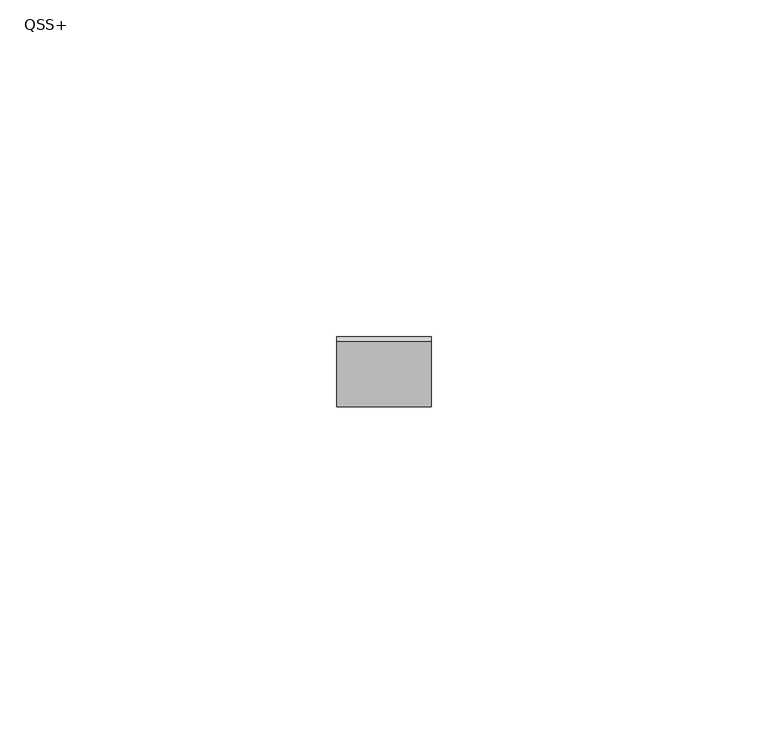
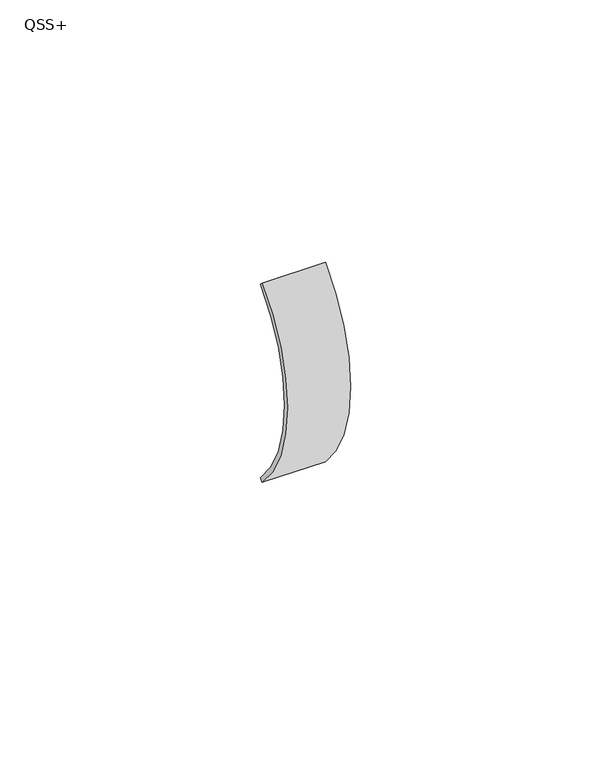
"""IFC4 building model written with IfcOpenShell, lengths in millimetres: proxy geometry, QSS+."""

from ifc_helpers import new_model, si_unit, point, frame, origin, origin_2d, place, context, project, spatial, polyline, circle_curve, trimmed, segment, composite_curve, outline, extrude, source, transform, mapped, element, save


def qss_b81f0f3e(model_context):
    return source(origin(), model_context, "Body", "SweptSolid", [
        extrude(outline(composite_curve([segment(trimmed(circle_curve(origin_2d(), 33.0), [point((-23.3345238, -23.3345238))], [point((-23.3345238, 23.3345238))], False, "CARTESIAN"), True, "CONTINUOUS"), segment(polyline([(-23.3345238, 23.3345238), (-22.627417, 22.627417)]), True, "CONTINUOUS"), segment(trimmed(circle_curve(origin_2d(), 32.0), [point((-22.627417, 22.627417))], [point((-22.627417, -22.627417))], True, "CARTESIAN"), True, "CONTINUOUS"), segment(polyline([(-22.627417, -22.627417), (-23.3345238, -23.3345238)]), True, "CONTINUOUS")], self_intersect=False)), frame((-7.0, 0.0, 0.0), z_axis=(1.0, 0.0, 0.0), x_axis=(0.0, 1.0, 0.0)), (0.0, 0.0, 1.0), 14.0),
    ])


if __name__ == "__main__":
    model = new_model("IFC4")
    model_context = context("Model", 3, world=origin())
    ifc_project = project(units=[si_unit("LENGTHUNIT", "METRE", prefix="MILLI")], contexts=[model_context])
    site = spatial("IfcSite", under=ifc_project)
    building = spatial("IfcBuilding", under=site)
    placement = place(None, origin())
    qss_shape = qss_b81f0f3e(model_context)
    element("IfcBuildingElementProxy", 1, Name="QSS+", ObjectType="QSS+", at=placement, inside=building, context=model_context, shape_type="MappedRepresentation", body=[
        mapped(qss_shape, transform((0.0, 0.0, 0.0), x_axis=(1.0, 0.0, 0.0), y_axis=(0.0, 1.0, 0.0), z_axis=(0.0, 0.0, 1.0))),
    ])
    save(model, "model.ifc")
